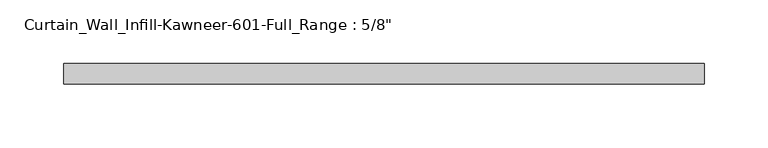
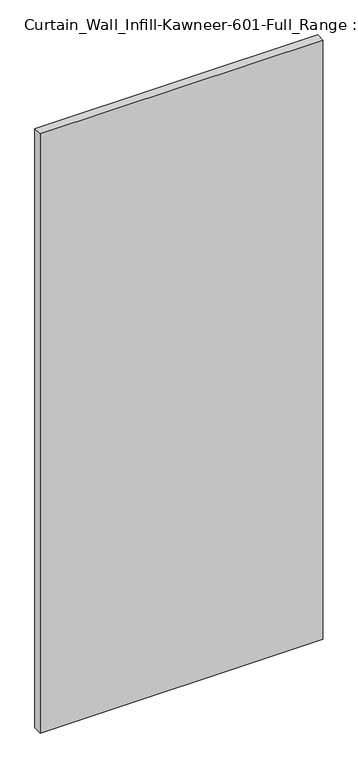
"""IFC4 building model written with IfcOpenShell, lengths in millimetres: plate geometry."""

from ifc_helpers import new_model, si_unit, origin, origin_with_axes, place, context, project, spatial, polyline, outline, extrude, source, transform, mapped, element, save


def plate_004ea40b(model_context):
    return source(origin(), model_context, "Body", "SweptSolid", [
        extrude(outline(polyline([(-250.825, 12.7), (250.825, 12.7), (250.825, -3.175), (-250.825, -3.175), (-250.825, 12.7)])), origin_with_axes(), (0.0, 0.0, 1.0), 1123.95),
    ])


if __name__ == "__main__":
    model = new_model("IFC4")
    model_context = context("Model", 3, world=origin())
    ifc_project = project(units=[si_unit("LENGTHUNIT", "METRE", prefix="MILLI")], contexts=[model_context])
    site = spatial("IfcSite", under=ifc_project)
    building = spatial("IfcBuilding", under=site)
    placement = place(None, origin())
    plate_shape = plate_004ea40b(model_context)
    element("IfcPlate", 1, ObjectType="Curtain_Wall_Infill-Kawneer-601-Full_Range : 5/8\"", at=placement, inside=building, context=model_context, shape_type="MappedRepresentation", body=[
        mapped(plate_shape, transform((0.0, 0.0, 0.0), x_axis=(1.0, 0.0, 0.0), y_axis=(0.0, 1.0, 0.0), z_axis=(0.0, 0.0, 1.0))),
    ])
    save(model, "model.ifc")
